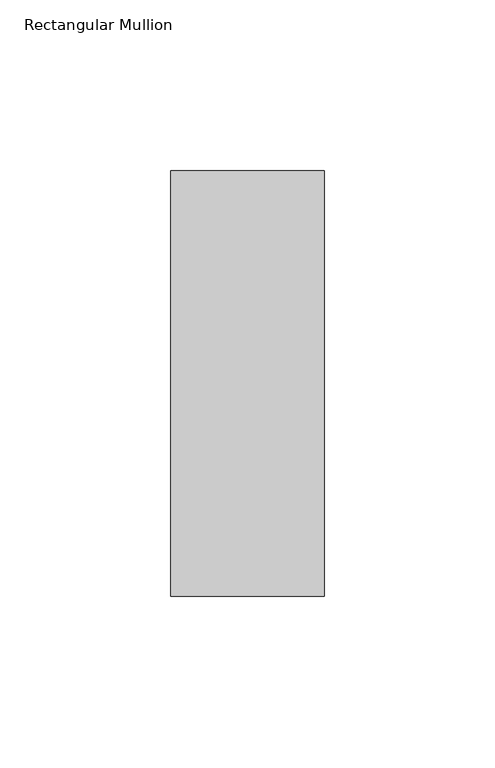
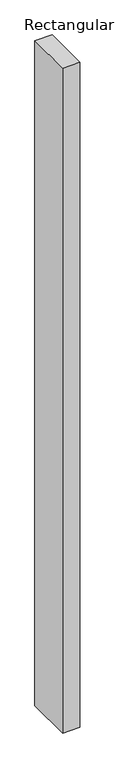
"""IFC4 building model written with IfcOpenShell, lengths in millimetres: member geometry, Rectangular Mullion."""

from ifc_helpers import new_model, si_unit, frame, origin, place, context, project, spatial, polyline, outline, extrude, source, transform, mapped, element, save


def rectangular_mullion_c0e926cc(model_context):
    return source(origin(), model_context, "Body", "SweptSolid", [
        extrude(outline(polyline([(0.0, 77.84375), (0.0, -46.84375), (-45.0, -46.84375), (-45.0, 77.84375), (0.0, 77.84375)])), frame((0.0, 0.0, -1828.8), z_axis=(0.0, 0.0, 1.0), x_axis=(1.0, 0.0, 0.0)), (0.0, 0.0, 1.0), 1828.8),
    ])


if __name__ == "__main__":
    model = new_model("IFC4")
    model_context = context("Model", 3, world=origin())
    ifc_project = project(units=[si_unit("LENGTHUNIT", "METRE", prefix="MILLI")], contexts=[model_context])
    site = spatial("IfcSite", under=ifc_project)
    building = spatial("IfcBuilding", under=site)
    placement = place(None, origin())
    rectangular_mullion_shape = rectangular_mullion_c0e926cc(model_context)
    element("IfcMember", 1, ObjectType="Rectangular Mullion", at=placement, inside=building, context=model_context, shape_type="MappedRepresentation", body=[
        mapped(rectangular_mullion_shape, transform((0.0, 0.0, 0.0), x_axis=(1.0, 0.0, 0.0), y_axis=(0.0, 1.0, 0.0), z_axis=(0.0, 0.0, 1.0))),
    ])
    save(model, "model.ifc")
